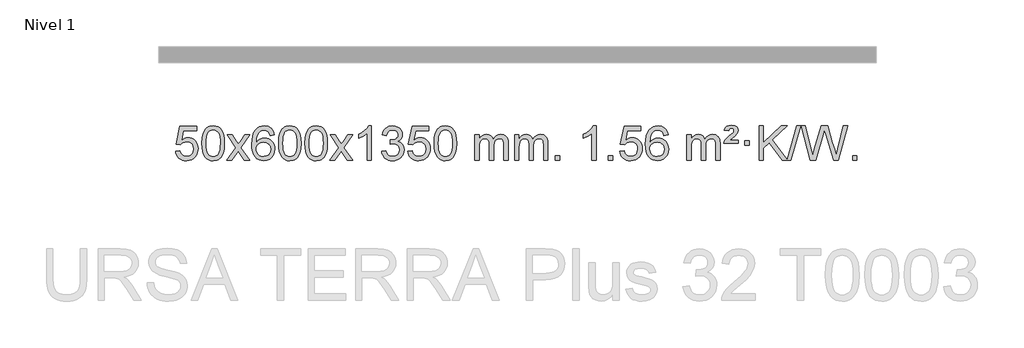
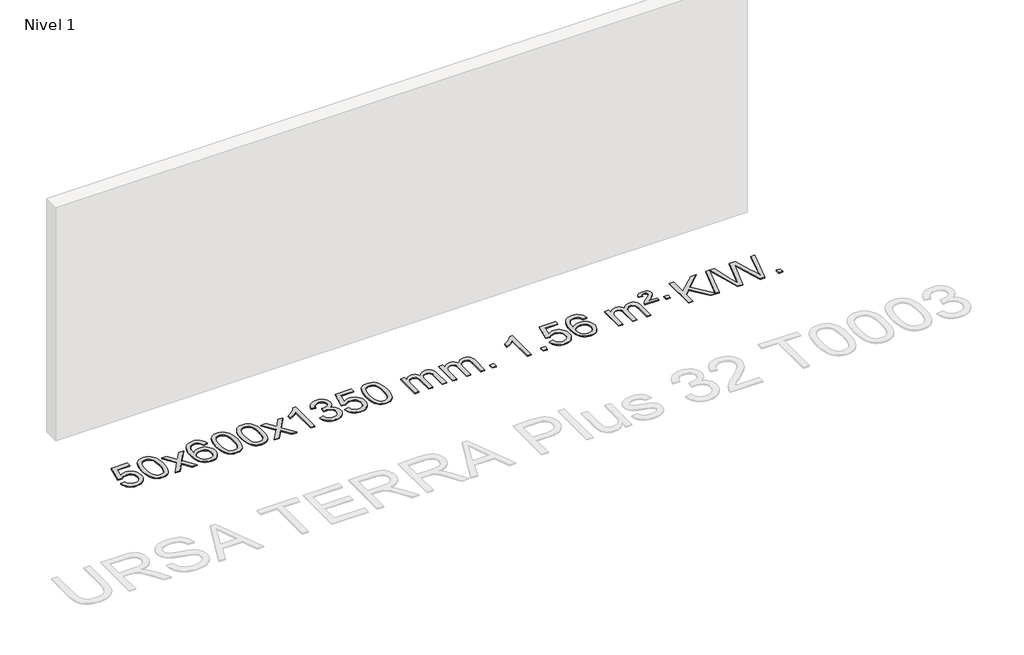
# One storey, part 3 of 7: 1 proxy.
"""IFC4 building model written with IfcOpenShell, lengths in millimetres."""

from ifc_helpers import new_model, si_unit, origin, origin_with_axes, place, context, project, spatial, polyline, outline, extrude, element, save

model = new_model("IFC4")

# Units and contexts
model_context = context("Model", 3, world=origin())
ifc_project = project(units=[si_unit("LENGTHUNIT", "METRE", prefix="MILLI")], contexts=[model_context])

# Site, building, storey
site = spatial("IfcSite", under=ifc_project)
building = spatial("IfcBuilding", under=site)
storey = spatial("IfcBuildingStorey", under=building, Name="Nivel 1", Elevation=0.0)

# Proxy
placement = place(None, origin())
element("IfcBuildingElementProxy", 1, Name="Texto de modelo 1", ObjectType="Texto de modelo 1", at=placement, inside=storey, context=model_context, shape_type="SweptSolid", body=[
    extrude(outline(polyline([(-25979.9741058, -12677.8820273), (-25929.7459508, -12671.603508), (-25920.5243754, -12701.7575688), (-25904.4356695, -12723.3522419), (-25881.5534094, -12736.3384764), (-25851.9511715, -12740.6672212), (-25832.8213078, -12739.1619707), (-25815.9477869, -12734.6462192), (-25801.330609, -12727.1199667), (-25788.969774, -12716.5832132), (-25779.1411933, -12703.5571249), (-25772.1207786, -12688.5628679), (-25766.5044468, -12652.6698479), (-25771.7651593, -12618.8737553), (-25778.34105, -12604.9555532), (-25787.5472969, -12593.0239138), (-25799.4145569, -12583.4528505), (-25813.9734869, -12576.6163768), (-25851.1663566, -12571.1471978), (-25875.5324074, -12573.3299643), (-25895.2631451, -12579.8782638), (-25911.0207572, -12589.9091796), (-25923.4674314, -12602.5397947), (-25973.6955865, -12596.2612753), (-25929.7459508, -12389.0701357), (-25735.1118499, -12389.0701357), (-25735.1118499, -12439.2982907), (-25889.1317785, -12439.2982907), (-25910.616087, -12549.9571949), (-25892.8903062, -12537.2530033), (-25874.7353298, -12528.1785808), (-25856.1511576, -12522.7339272), (-25837.1377899, -12520.9190427), (-25812.6767029, -12523.1692543), (-25790.20831, -12529.9198889), (-25769.7326113, -12541.1709466), (-25751.2496067, -12556.9224273), (-25735.9487814, -12576.2117066), (-25725.0196205, -12598.0761598), (-25718.4621239, -12622.5157871), (-25716.2762917, -12649.5305882), (-25718.2444604, -12675.552108), (-25724.1489664, -12699.7587433), (-25733.9898098, -12722.1504941), (-25747.7669905, -12742.7273604), (-25768.6381624, -12763.8008673), (-25792.9919504, -12778.8533723), (-25820.8283547, -12787.8848753), (-25852.1473753, -12790.8953763), (-25878.0677275, -12788.9609301), (-25901.4803508, -12783.1575916), (-25922.3852452, -12773.4853608), (-25940.7824106, -12759.9442377), (-25956.0893673, -12743.2086726), (-25967.7236354, -12723.9531159), (-25975.6852149, -12702.1775674), (-25979.9741058, -12677.8820273)])), origin_with_axes(), (0.0, 0.0, 1.0), 10.0),
    extrude(outline(polyline([(-25672.326656, -12586.9415981), (-25668.6355733, -12522.6235626), (-25657.5623253, -12471.3285498), (-25639.2172764, -12432.2717446), (-25627.3592135, -12417.0383643), (-25613.7107915, -12404.6683323), (-25598.2260251, -12395.097269), (-25580.8589293, -12388.2607953), (-25540.4777489, -12382.7916163), (-25509.5266104, -12386.0289778), (-25481.8128334, -12395.7410625), (-25458.6362678, -12411.5477256), (-25441.296763, -12433.0688223), (-25428.200164, -12460.1204117), (-25417.7523154, -12492.5185527), (-25410.9097102, -12533.6600225), (-25408.6288419, -12586.9415981), (-25412.2831364, -12650.8917516), (-25423.2460198, -12702.0641372), (-25441.480704, -12741.1577305), (-25453.3111759, -12756.437096), (-25466.9504008, -12768.8715075), (-25482.4535613, -12778.5069501), (-25499.8758394, -12785.3894091), (-25540.4777489, -12790.8953763), (-25568.142475, -12788.5041433), (-25592.6679413, -12781.3304444), (-25614.054148, -12769.3742795), (-25632.3010949, -12752.6356488), (-25649.8122779, -12722.3773547), (-25662.3202657, -12684.6755815), (-25669.8250584, -12639.5303293), (-25672.326656, -12586.9415981)]), holes=[polyline([(-25622.0985009, -12586.8434963), (-25620.626973, -12630.5080234), (-25616.212389, -12665.8522861), (-25608.8547491, -12692.8762843), (-25598.5540532, -12711.5800181), (-25586.0951163, -12724.3056694), (-25572.2627533, -12733.3954204), (-25557.0569642, -12738.849271), (-25540.4777489, -12740.6672212), (-25523.8985337, -12738.8431396), (-25508.6927446, -12733.3708949), (-25494.8603815, -12724.2504871), (-25482.4014446, -12711.4819162), (-25472.1007488, -12692.7475256), (-25464.7431089, -12665.7296588), (-25460.3285249, -12630.4283156), (-25458.8569969, -12586.8434963), (-25460.279474, -12544.3347317), (-25464.5469051, -12509.6128027), (-25471.6592904, -12482.6777093), (-25481.6166297, -12463.5294515), (-25493.8671002, -12450.1814664), (-25507.8588787, -12440.6471914), (-25523.5919654, -12434.9266264), (-25541.0663601, -12433.0197713), (-25557.5597363, -12434.6997658), (-25572.508008, -12439.7397491), (-25585.9111753, -12448.1397213), (-25597.7692383, -12459.8996825), (-25608.4132907, -12480.7463289), (-25616.0161853, -12508.8525133), (-25620.577922, -12544.2182358), (-25622.0985009, -12586.8434963)])]), origin_with_axes(), (0.0, 0.0, 1.0), 10.0),
    extrude(outline(polyline([(-25383.5147643, -12784.6168569), (-25276.1913236, -12636.2868364), (-25377.236245, -12489.5264458), (-25316.8054959, -12489.5264458), (-25268.0488688, -12560.1597889), (-25245.289236, -12593.5144231), (-25225.5707611, -12566.2421045), (-25170.0451053, -12489.5264458), (-25109.6143562, -12489.5264458), (-25215.7605745, -12636.2868364), (-25113.5384308, -12784.6168569), (-25173.9691799, -12784.6168569), (-25235.4790495, -12695.4422612), (-25246.760764, -12679.1573516), (-25323.0840153, -12784.6168569), (-25383.5147643, -12784.6168569)])), origin_with_axes(), (0.0, 0.0, 1.0), 10.0),
    extrude(outline(polyline([(-24824.7265391, -12489.5264458), (-24874.9546942, -12495.8049652), (-24883.0480981, -12470.9116168), (-24893.9864561, -12453.9154687), (-24916.7706143, -12438.2436957), (-24944.312713, -12433.0197713), (-24967.660957, -12436.0609292), (-24989.6357748, -12445.1844027), (-25008.5081212, -12464.4001055), (-25023.9223768, -12490.850821), (-25034.3334372, -12528.2644199), (-25038.1961982, -12580.3687731), (-25018.0485276, -12556.8611137), (-24993.903206, -12540.2941611), (-24967.109134, -12530.4717119), (-24939.0152123, -12527.1975621), (-24914.8821534, -12529.4355109), (-24892.61303, -12536.1493573), (-24872.207842, -12547.3391013), (-24853.6665894, -12563.004743), (-24838.2584652, -12582.2143145), (-24827.2526622, -12604.0358482), (-24820.6491803, -12628.469344), (-24818.4480197, -12655.514802), (-24822.5928236, -12691.4813984), (-24835.027235, -12724.8237699), (-24854.7211845, -12753.1016326), (-24880.6446024, -12773.8747026), (-24911.6202664, -12786.6402078), (-24946.4709541, -12790.8953763), (-24976.4134828, -12788.0749476), (-25003.4558751, -12779.6136617), (-25027.5981311, -12765.5115186), (-25048.8402506, -12745.7685182), (-25066.1582955, -12719.5507947), (-25078.5283276, -12686.0244822), (-25085.9503469, -12645.1895807), (-25088.4243533, -12597.0460903), (-25085.677501, -12543.0716702), (-25077.4369443, -12497.006713), (-25063.7026832, -12458.8512188), (-25044.4747176, -12428.6051874), (-25023.6342026, -12408.56175), (-24999.4704868, -12394.2450091), (-24971.9835704, -12385.6549645), (-24941.1734533, -12382.7916163), (-24918.0398072, -12384.5635812), (-24897.1011903, -12389.879476), (-24878.3576027, -12398.7393008), (-24861.8090442, -12411.1430554), (-24847.9031048, -12426.6738069), (-24837.0873742, -12444.9146225), (-24829.3618523, -12465.8655021), (-24824.7265391, -12489.5264458)]), holes=[polyline([(-25038.1961982, -12654.7299871), (-25035.2899304, -12676.9868478), (-25026.5711271, -12698.2381644), (-25013.0330697, -12716.5096368), (-24995.6690396, -12729.8269651), (-24974.7120286, -12737.9571571), (-24950.3950287, -12740.6672212), (-24917.2488609, -12735.0508894), (-24903.3337244, -12728.0304746), (-24891.1905529, -12718.201894), (-24881.3405125, -12705.9636863), (-24874.3047693, -12691.7143904), (-24868.6761748, -12657.1825337), (-24874.2311929, -12624.036366), (-24881.1749656, -12610.4155351), (-24890.8962473, -12598.7628729), (-24903.0762071, -12589.4278673), (-24917.3960137, -12582.7600061), (-24952.4551679, -12577.4257172), (-24985.5522847, -12582.7600061), (-25013.2292735, -12598.7628729), (-25024.152303, -12610.2622509), (-25031.954467, -12623.4232293), (-25036.6357654, -12638.245808), (-25038.1961982, -12654.7299871)])]), origin_with_axes(), (0.0, 0.0, 1.0), 10.0),
    extrude(outline(polyline([(-24774.4983841, -12586.9415981), (-24770.8073014, -12522.6235626), (-24759.7340533, -12471.3285498), (-24741.3890045, -12432.2717446), (-24729.5309415, -12417.0383643), (-24715.8825195, -12404.6683323), (-24700.3977532, -12395.097269), (-24683.0306573, -12388.2607953), (-24642.649477, -12382.7916163), (-24611.6983385, -12386.0289778), (-24583.9845615, -12395.7410625), (-24560.8079958, -12411.5477256), (-24543.4684911, -12433.0688223), (-24530.3718921, -12460.1204117), (-24519.9240434, -12492.5185527), (-24513.0814383, -12533.6600225), (-24510.8005699, -12586.9415981), (-24514.4548644, -12650.8917516), (-24525.4177479, -12702.0641372), (-24543.6524321, -12741.1577305), (-24555.4829039, -12756.437096), (-24569.1221289, -12768.8715075), (-24584.6252893, -12778.5069501), (-24602.0475674, -12785.3894091), (-24642.649477, -12790.8953763), (-24670.314203, -12788.5041433), (-24694.8396694, -12781.3304444), (-24716.225876, -12769.3742795), (-24734.472823, -12752.6356488), (-24751.9840059, -12722.3773547), (-24764.4919938, -12684.6755815), (-24771.9967865, -12639.5303293), (-24774.4983841, -12586.9415981)]), holes=[polyline([(-24724.270229, -12586.8434963), (-24722.798701, -12630.5080234), (-24718.3841171, -12665.8522861), (-24711.0264772, -12692.8762843), (-24700.7257813, -12711.5800181), (-24688.2668444, -12724.3056694), (-24674.4344814, -12733.3954204), (-24659.2286922, -12738.849271), (-24642.649477, -12740.6672212), (-24626.0702617, -12738.8431396), (-24610.8644726, -12733.3708949), (-24597.0321096, -12724.2504871), (-24584.5731727, -12711.4819162), (-24574.2724768, -12692.7475256), (-24566.9148369, -12665.7296588), (-24562.500253, -12630.4283156), (-24561.028725, -12586.8434963), (-24562.451202, -12544.3347317), (-24566.7186332, -12509.6128027), (-24573.8310184, -12482.6777093), (-24583.7883578, -12463.5294515), (-24596.0388282, -12450.1814664), (-24610.0306067, -12440.6471914), (-24625.7636934, -12434.9266264), (-24643.2380882, -12433.0197713), (-24659.7314643, -12434.6997658), (-24674.679736, -12439.7397491), (-24688.0829034, -12448.1397213), (-24699.9409664, -12459.8996825), (-24710.5850188, -12480.7463289), (-24718.1879133, -12508.8525133), (-24722.7496501, -12544.2182358), (-24724.270229, -12586.8434963)])]), origin_with_axes(), (0.0, 0.0, 1.0), 10.0),
    extrude(outline(polyline([(-24466.8509342, -12586.9415981), (-24463.1598515, -12522.6235626), (-24452.0866035, -12471.3285498), (-24433.7415547, -12432.2717446), (-24421.8834917, -12417.0383643), (-24408.2350697, -12404.6683323), (-24392.7503033, -12395.097269), (-24375.3832075, -12388.2607953), (-24335.0020271, -12382.7916163), (-24304.0508886, -12386.0289778), (-24276.3371117, -12395.7410625), (-24253.160546, -12411.5477256), (-24235.8210412, -12433.0688223), (-24222.7244422, -12460.1204117), (-24212.2765936, -12492.5185527), (-24205.4339884, -12533.6600225), (-24203.1531201, -12586.9415981), (-24206.8074146, -12650.8917516), (-24217.770298, -12702.0641372), (-24236.0049822, -12741.1577305), (-24247.8354541, -12756.437096), (-24261.474679, -12768.8715075), (-24276.9778395, -12778.5069501), (-24294.4001176, -12785.3894091), (-24335.0020271, -12790.8953763), (-24362.6667532, -12788.5041433), (-24387.1922195, -12781.3304444), (-24408.5784262, -12769.3742795), (-24426.8253731, -12752.6356488), (-24444.3365561, -12722.3773547), (-24456.844544, -12684.6755815), (-24464.3493367, -12639.5303293), (-24466.8509342, -12586.9415981)]), holes=[polyline([(-24416.6227791, -12586.8434963), (-24415.1512512, -12630.5080234), (-24410.7366672, -12665.8522861), (-24403.3790273, -12692.8762843), (-24393.0783315, -12711.5800181), (-24380.6193946, -12724.3056694), (-24366.7870315, -12733.3954204), (-24351.5812424, -12738.849271), (-24335.0020271, -12740.6672212), (-24318.4228119, -12738.8431396), (-24303.2170228, -12733.3708949), (-24289.3846597, -12724.2504871), (-24276.9257228, -12711.4819162), (-24266.625027, -12692.7475256), (-24259.2673871, -12665.7296588), (-24254.8528031, -12630.4283156), (-24253.3812752, -12586.8434963), (-24254.8037522, -12544.3347317), (-24259.0711833, -12509.6128027), (-24266.1835686, -12482.6777093), (-24276.1409079, -12463.5294515), (-24288.3913784, -12450.1814664), (-24302.3831569, -12440.6471914), (-24318.1162436, -12434.9266264), (-24335.5906383, -12433.0197713), (-24352.0840145, -12434.6997658), (-24367.0322862, -12439.7397491), (-24380.4354536, -12448.1397213), (-24392.2935165, -12459.8996825), (-24402.9375689, -12480.7463289), (-24410.5404635, -12508.8525133), (-24415.1022002, -12544.2182358), (-24416.6227791, -12586.8434963)])]), origin_with_axes(), (0.0, 0.0, 1.0), 10.0),
    extrude(outline(polyline([(-24178.0390425, -12784.6168569), (-24070.7156018, -12636.2868364), (-24171.7605232, -12489.5264458), (-24111.3297741, -12489.5264458), (-24062.573147, -12560.1597889), (-24039.8135142, -12593.5144231), (-24020.0950393, -12566.2421045), (-23964.5693835, -12489.5264458), (-23904.1386344, -12489.5264458), (-24010.2848527, -12636.2868364), (-23908.062709, -12784.6168569), (-23968.4934581, -12784.6168569), (-24030.0033277, -12695.4422612), (-24041.2850422, -12679.1573516), (-24117.6082935, -12784.6168569), (-24178.0390425, -12784.6168569)])), origin_with_axes(), (0.0, 0.0, 1.0), 10.0),
    extrude(outline(polyline([(-23688.3145306, -12784.6168569), (-23738.5426856, -12784.6168569), (-23738.5426856, -12471.4757026), (-23759.5119594, -12488.4350626), (-23786.1220903, -12505.3698971), (-23838.9989958, -12530.7292293), (-23838.9989958, -12483.2479264), (-23799.5497832, -12461.7881434), (-23765.3735458, -12436.2571329), (-23738.432321, -12409.1074417), (-23720.6881461, -12382.7916163), (-23688.3145306, -12382.7916163), (-23688.3145306, -12784.6168569)])), origin_with_axes(), (0.0, 0.0, 1.0), 10.0),
    extrude(outline(polyline([(-23569.0226623, -12677.8820273), (-23518.7945072, -12671.603508), (-23507.5495809, -12703.1677831), (-23491.0807302, -12724.4804134), (-23468.5786148, -12736.6205192), (-23439.2338944, -12740.6672212), (-23404.8001396, -12735.0999403), (-23390.5263182, -12728.1408392), (-23378.2145341, -12718.3980977), (-23361.2183859, -12693.4802239), (-23355.5530032, -12663.2648494), (-23361.169335, -12634.5823165), (-23378.0183304, -12611.3199117), (-23403.5248154, -12595.9056561), (-23435.113616, -12590.7675709), (-23470.3321857, -12596.2612753), (-23464.7403794, -12546.0331203), (-23456.6960264, -12546.6217315), (-23426.6032792, -12543.0164879), (-23399.6988426, -12532.2007572), (-23388.6255946, -12524.0215142), (-23380.7161317, -12513.9047594), (-23375.9704539, -12501.8504926), (-23374.3885613, -12487.8587141), (-23378.9748235, -12466.1659391), (-23392.7336102, -12448.568917), (-23413.7274094, -12436.9070578), (-23440.0187093, -12433.0197713), (-23466.3590601, -12436.943846), (-23487.8924196, -12448.7160698), (-23503.6132435, -12468.3364429), (-23512.5159878, -12495.8049652), (-23562.7441429, -12489.5264458), (-23556.7905859, -12465.5466711), (-23547.9552867, -12444.4241132), (-23536.2382451, -12426.1587721), (-23521.6394613, -12410.7506479), (-23504.6187876, -12398.5185716), (-23485.6360767, -12389.7813742), (-23464.6913284, -12384.5390557), (-23441.7845429, -12382.7916163), (-23410.2080049, -12386.2374443), (-23381.206641, -12396.5749284), (-23356.754751, -12412.8843635), (-23338.8266351, -12434.2460447), (-23327.8269635, -12458.8573501), (-23324.1604063, -12484.9156581), (-23327.6430225, -12509.1958698), (-23338.0908712, -12531.2197386), (-23355.3567995, -12549.9817203), (-23379.2936546, -12564.476271), (-23347.8520068, -12577.1804625), (-23324.5528137, -12598.8119238), (-23310.1318395, -12628.1934325), (-23305.3248481, -12664.1477662), (-23307.7283438, -12689.6297257), (-23314.9388309, -12713.100597), (-23326.9563094, -12734.5603801), (-23343.7807793, -12754.0090749), (-23364.2779378, -12770.1468317), (-23387.3134821, -12781.6738009), (-23412.8874121, -12788.5899824), (-23440.9997279, -12790.8953763), (-23466.4081111, -12788.9272076), (-23489.5601513, -12783.0227016), (-23510.4558486, -12773.1818582), (-23529.095203, -12759.4046775), (-23544.7240565, -12742.5004998), (-23556.5882508, -12723.2786655), (-23564.6877861, -12701.7391747), (-23569.0226623, -12677.8820273)])), origin_with_axes(), (0.0, 0.0, 1.0), 10.0),
    extrude(outline(polyline([(-23261.3752124, -12677.8820273), (-23211.1470573, -12671.603508), (-23201.925482, -12701.7575688), (-23185.8367761, -12723.3522419), (-23162.954516, -12736.3384764), (-23133.3522781, -12740.6672212), (-23114.2224144, -12739.1619707), (-23097.3488935, -12734.6462192), (-23082.7317156, -12727.1199667), (-23070.3708805, -12716.5832132), (-23060.5422999, -12703.5571249), (-23053.5218851, -12688.5628679), (-23047.9055534, -12652.6698479), (-23053.1662659, -12618.8737553), (-23059.7421566, -12604.9555532), (-23068.9484035, -12593.0239138), (-23080.8156635, -12583.4528505), (-23095.3745935, -12576.6163768), (-23132.5674632, -12571.1471978), (-23156.933514, -12573.3299643), (-23176.6642517, -12579.8782638), (-23192.4218638, -12589.9091796), (-23204.868538, -12602.5397947), (-23255.096693, -12596.2612753), (-23211.1470573, -12389.0701357), (-23016.5129564, -12389.0701357), (-23016.5129564, -12439.2982907), (-23170.5328851, -12439.2982907), (-23192.0171936, -12549.9571949), (-23174.2914128, -12537.2530033), (-23156.1364363, -12528.1785808), (-23137.5522642, -12522.7339272), (-23118.5388964, -12520.9190427), (-23094.0778094, -12523.1692543), (-23071.6094166, -12529.9198889), (-23051.1337179, -12541.1709466), (-23032.6507133, -12556.9224273), (-23017.349888, -12576.2117066), (-23006.420727, -12598.0761598), (-22999.8632305, -12622.5157871), (-22997.6773983, -12649.5305882), (-22999.645567, -12675.552108), (-23005.550073, -12699.7587433), (-23015.3909163, -12722.1504941), (-23029.1680971, -12742.7273604), (-23050.0392689, -12763.8008673), (-23074.393057, -12778.8533723), (-23102.2294613, -12787.8848753), (-23133.5484818, -12790.8953763), (-23159.4688341, -12788.9609301), (-23182.8814574, -12783.1575916), (-23203.7863518, -12773.4853608), (-23222.1835172, -12759.9442377), (-23237.4904739, -12743.2086726), (-23249.124742, -12723.9531159), (-23257.0863215, -12702.1775674), (-23261.3752124, -12677.8820273)])), origin_with_axes(), (0.0, 0.0, 1.0), 10.0),
    extrude(outline(polyline([(-22953.7277626, -12586.9415981), (-22950.0366799, -12522.6235626), (-22938.9634319, -12471.3285498), (-22920.618383, -12432.2717446), (-22908.76032, -12417.0383643), (-22895.111898, -12404.6683323), (-22879.6271317, -12395.097269), (-22862.2600359, -12388.2607953), (-22821.8788555, -12382.7916163), (-22790.927717, -12386.0289778), (-22763.21394, -12395.7410625), (-22740.0373743, -12411.5477256), (-22722.6978696, -12433.0688223), (-22709.6012706, -12460.1204117), (-22699.1534219, -12492.5185527), (-22692.3108168, -12533.6600225), (-22690.0299484, -12586.9415981), (-22693.6842429, -12650.8917516), (-22704.6471264, -12702.0641372), (-22722.8818106, -12741.1577305), (-22734.7122824, -12756.437096), (-22748.3515074, -12768.8715075), (-22763.8546678, -12778.5069501), (-22781.276946, -12785.3894091), (-22821.8788555, -12790.8953763), (-22849.5435816, -12788.5041433), (-22874.0690479, -12781.3304444), (-22895.4552546, -12769.3742795), (-22913.7022015, -12752.6356488), (-22931.2133845, -12722.3773547), (-22943.7213723, -12684.6755815), (-22951.226165, -12639.5303293), (-22953.7277626, -12586.9415981)]), holes=[polyline([(-22903.4996075, -12586.8434963), (-22902.0280795, -12630.5080234), (-22897.6134956, -12665.8522861), (-22890.2558557, -12692.8762843), (-22879.9551598, -12711.5800181), (-22867.4962229, -12724.3056694), (-22853.6638599, -12733.3954204), (-22838.4580708, -12738.849271), (-22821.8788555, -12740.6672212), (-22805.2996403, -12738.8431396), (-22790.0938511, -12733.3708949), (-22776.2614881, -12724.2504871), (-22763.8025512, -12711.4819162), (-22753.5018553, -12692.7475256), (-22746.1442154, -12665.7296588), (-22741.7296315, -12630.4283156), (-22740.2581035, -12586.8434963), (-22741.6805806, -12544.3347317), (-22745.9480117, -12509.6128027), (-22753.060397, -12482.6777093), (-22763.0177363, -12463.5294515), (-22775.2682067, -12450.1814664), (-22789.2599853, -12440.6471914), (-22804.9930719, -12434.9266264), (-22822.4674667, -12433.0197713), (-22838.9608428, -12434.6997658), (-22853.9091146, -12439.7397491), (-22867.3122819, -12448.1397213), (-22879.1703449, -12459.8996825), (-22889.8143973, -12480.7463289), (-22897.4172919, -12508.8525133), (-22901.9790286, -12544.2182358), (-22903.4996075, -12586.8434963)])]), origin_with_axes(), (0.0, 0.0, 1.0), 10.0),
    extrude(outline(polyline([(-22476.5602894, -12784.6168569), (-22476.5602894, -12489.5264458), (-22426.3321343, -12489.5264458), (-22426.3321343, -12538.0868692), (-22411.224447, -12515.7809575), (-22391.8002777, -12498.3065628), (-22368.7218139, -12487.0125855), (-22342.6512431, -12483.2479264), (-22314.716737, -12487.0861619), (-22292.3249862, -12498.6008684), (-22275.5986181, -12517.0317563), (-22264.6602602, -12541.6185363), (-22246.3519995, -12516.0813945), (-22225.4685649, -12497.8405789), (-22202.0099564, -12486.8960895), (-22175.9761739, -12483.2479264), (-22155.8683571, -12484.7654397), (-22138.2192184, -12489.3179793), (-22123.0287577, -12496.9055455), (-22110.296975, -12507.5281381), (-22100.2323367, -12521.3083845), (-22093.0433094, -12538.368912), (-22088.729893, -12558.7097207), (-22087.2920876, -12582.3308105), (-22087.2920876, -12784.6168569), (-22137.5202426, -12784.6168569), (-22137.5202426, -12603.9132208), (-22138.6852023, -12578.860457), (-22142.1800812, -12561.9746734), (-22148.7283807, -12550.410916), (-22159.0536021, -12541.3242307), (-22172.3341421, -12535.4381188), (-22187.7483977, -12533.4760815), (-22214.9594026, -12538.5038021), (-22237.1426869, -12553.5869639), (-22245.7480599, -12565.1568526), (-22251.8947549, -12579.7556365), (-22256.8121109, -12618.0398895), (-22256.8121109, -12784.6168569), (-22307.040266, -12784.6168569), (-22307.040266, -12598.3214145), (-22309.9465338, -12569.9209245), (-22318.6653371, -12549.6628893), (-22334.0060162, -12537.5227834), (-22356.7779118, -12533.4760815), (-22376.1285047, -12536.1738828), (-22393.9585187, -12544.2672867), (-22408.6737985, -12557.5600894), (-22418.6801888, -12575.8560873), (-22424.4191479, -12601.239945), (-22426.3321343, -12635.7963271), (-22426.3321343, -12784.6168569), (-22476.5602894, -12784.6168569)])), origin_with_axes(), (0.0, 0.0, 1.0), 10.0),
    extrude(outline(polyline([(-22011.9498549, -12784.6168569), (-22011.9498549, -12489.5264458), (-21961.7216999, -12489.5264458), (-21961.7216999, -12538.0868692), (-21946.6140126, -12515.7809575), (-21927.1898433, -12498.3065628), (-21904.1113794, -12487.0125855), (-21878.0408087, -12483.2479264), (-21850.1063025, -12487.0861619), (-21827.7145518, -12498.6008684), (-21810.9881837, -12517.0317563), (-21800.0498257, -12541.6185363), (-21781.7415651, -12516.0813945), (-21760.8581305, -12497.8405789), (-21737.3995219, -12486.8960895), (-21711.3657394, -12483.2479264), (-21691.2579227, -12484.7654397), (-21673.608784, -12489.3179793), (-21658.4183233, -12496.9055455), (-21645.6865405, -12507.5281381), (-21635.6219023, -12521.3083845), (-21628.432875, -12538.368912), (-21624.1194586, -12558.7097207), (-21622.6816531, -12582.3308105), (-21622.6816531, -12784.6168569), (-21672.9098082, -12784.6168569), (-21672.9098082, -12603.9132208), (-21674.0747678, -12578.860457), (-21677.5696468, -12561.9746734), (-21684.1179463, -12550.410916), (-21694.4431676, -12541.3242307), (-21707.7237077, -12535.4381188), (-21723.1379633, -12533.4760815), (-21750.3489682, -12538.5038021), (-21772.5322525, -12553.5869639), (-21781.1376255, -12565.1568526), (-21787.2843205, -12579.7556365), (-21792.2016765, -12618.0398895), (-21792.2016765, -12784.6168569), (-21842.4298316, -12784.6168569), (-21842.4298316, -12598.3214145), (-21845.3360993, -12569.9209245), (-21854.0549026, -12549.6628893), (-21869.3955818, -12537.5227834), (-21892.1674773, -12533.4760815), (-21911.5180703, -12536.1738828), (-21929.3480843, -12544.2672867), (-21944.0633641, -12557.5600894), (-21954.0697544, -12575.8560873), (-21959.8087135, -12601.239945), (-21961.7216999, -12635.7963271), (-21961.7216999, -12784.6168569), (-22011.9498549, -12784.6168569)])), origin_with_axes(), (0.0, 0.0, 1.0), 10.0),
    extrude(outline(polyline([(-21534.7823817, -12784.6168569), (-21534.7823817, -12734.3887018), (-21484.5542267, -12734.3887018), (-21484.5542267, -12784.6168569), (-21534.7823817, -12784.6168569)])), origin_with_axes(), (0.0, 0.0, 1.0), 10.0),
    extrude(outline(polyline([(-21057.6149085, -12784.6168569), (-21107.8430636, -12784.6168569), (-21107.8430636, -12471.4757026), (-21128.8123373, -12488.4350626), (-21155.4224683, -12505.3698971), (-21208.2993737, -12530.7292293), (-21208.2993737, -12483.2479264), (-21168.8501611, -12461.7881434), (-21134.6739238, -12436.2571329), (-21107.732699, -12409.1074417), (-21089.9885241, -12382.7916163), (-21057.6149085, -12382.7916163), (-21057.6149085, -12784.6168569)])), origin_with_axes(), (0.0, 0.0, 1.0), 10.0),
    extrude(outline(polyline([(-20913.2089627, -12784.6168569), (-20913.2089627, -12734.3887018), (-20862.9808076, -12734.3887018), (-20862.9808076, -12784.6168569), (-20913.2089627, -12784.6168569)])), origin_with_axes(), (0.0, 0.0, 1.0), 10.0),
    extrude(outline(polyline([(-20781.3600556, -12677.8820273), (-20731.1319005, -12671.603508), (-20721.9103252, -12701.7575688), (-20705.8216193, -12723.3522419), (-20682.9393592, -12736.3384764), (-20653.3371213, -12740.6672212), (-20634.2072575, -12739.1619707), (-20617.3337367, -12734.6462192), (-20602.7165587, -12727.1199667), (-20590.3557237, -12716.5832132), (-20580.5271431, -12703.5571249), (-20573.5067283, -12688.5628679), (-20567.8903965, -12652.6698479), (-20573.1511091, -12618.8737553), (-20579.7269997, -12604.9555532), (-20588.9332467, -12593.0239138), (-20600.8005067, -12583.4528505), (-20615.3594366, -12576.6163768), (-20652.5523064, -12571.1471978), (-20676.9183572, -12573.3299643), (-20696.6490948, -12579.8782638), (-20712.406707, -12589.9091796), (-20724.8533811, -12602.5397947), (-20775.0815362, -12596.2612753), (-20731.1319005, -12389.0701357), (-20536.4977996, -12389.0701357), (-20536.4977996, -12439.2982907), (-20690.5177283, -12439.2982907), (-20712.0020368, -12549.9571949), (-20694.276256, -12537.2530033), (-20676.1212795, -12528.1785808), (-20657.5371074, -12522.7339272), (-20638.5237396, -12520.9190427), (-20614.0626526, -12523.1692543), (-20591.5942598, -12529.9198889), (-20571.118561, -12541.1709466), (-20552.6355565, -12556.9224273), (-20537.3347312, -12576.2117066), (-20526.4055702, -12598.0761598), (-20519.8480737, -12622.5157871), (-20517.6622415, -12649.5305882), (-20519.6304101, -12675.552108), (-20525.5349162, -12699.7587433), (-20535.3757595, -12722.1504941), (-20549.1529403, -12742.7273604), (-20570.0241121, -12763.8008673), (-20594.3779002, -12778.8533723), (-20622.2143045, -12787.8848753), (-20653.533325, -12790.8953763), (-20679.4536773, -12788.9609301), (-20702.8663006, -12783.1575916), (-20723.7711949, -12773.4853608), (-20742.1683604, -12759.9442377), (-20757.4753171, -12743.2086726), (-20769.1095852, -12723.9531159), (-20777.0711647, -12702.1775674), (-20781.3600556, -12677.8820273)])), origin_with_axes(), (0.0, 0.0, 1.0), 10.0),
    extrude(outline(polyline([(-20216.293311, -12489.5264458), (-20266.5214661, -12495.8049652), (-20274.61487, -12470.9116168), (-20285.553228, -12453.9154687), (-20308.3373862, -12438.2436957), (-20335.8794849, -12433.0197713), (-20359.2277289, -12436.0609292), (-20381.2025467, -12445.1844027), (-20400.0748931, -12464.4001055), (-20415.4891487, -12490.850821), (-20425.9002091, -12528.2644199), (-20429.7629701, -12580.3687731), (-20409.6152995, -12556.8611137), (-20385.4699779, -12540.2941611), (-20358.6759059, -12530.4717119), (-20330.5819842, -12527.1975621), (-20306.4489253, -12529.4355109), (-20284.1798019, -12536.1493573), (-20263.7746139, -12547.3391013), (-20245.2333613, -12563.004743), (-20229.8252371, -12582.2143145), (-20218.819434, -12604.0358482), (-20212.2159522, -12628.469344), (-20210.0147916, -12655.514802), (-20214.1595954, -12691.4813984), (-20226.5940069, -12724.8237699), (-20246.2879564, -12753.1016326), (-20272.2113743, -12773.8747026), (-20303.1870383, -12786.6402078), (-20338.037726, -12790.8953763), (-20367.9802547, -12788.0749476), (-20395.022647, -12779.6136617), (-20419.1649029, -12765.5115186), (-20440.4070225, -12745.7685182), (-20457.7250674, -12719.5507947), (-20470.0950995, -12686.0244822), (-20477.5171187, -12645.1895807), (-20479.9911252, -12597.0460903), (-20477.2442729, -12543.0716702), (-20469.0037162, -12497.006713), (-20455.2694551, -12458.8512188), (-20436.0414895, -12428.6051874), (-20415.2009744, -12408.56175), (-20391.0372587, -12394.2450091), (-20363.5503423, -12385.6549645), (-20332.7402252, -12382.7916163), (-20309.6065791, -12384.5635812), (-20288.6679622, -12389.879476), (-20269.9243745, -12398.7393008), (-20253.3758161, -12411.1430554), (-20239.4698767, -12426.6738069), (-20228.6541461, -12444.9146225), (-20220.9286242, -12465.8655021), (-20216.293311, -12489.5264458)]), holes=[polyline([(-20429.7629701, -12654.7299871), (-20426.8567023, -12676.9868478), (-20418.137899, -12698.2381644), (-20404.5998416, -12716.5096368), (-20387.2358114, -12729.8269651), (-20366.2788004, -12737.9571571), (-20341.9618006, -12740.6672212), (-20308.8156328, -12735.0508894), (-20294.9004963, -12728.0304746), (-20282.7573248, -12718.201894), (-20272.9072844, -12705.9636863), (-20265.8715412, -12691.7143904), (-20260.2429467, -12657.1825337), (-20265.7979648, -12624.036366), (-20272.7417375, -12610.4155351), (-20282.4630192, -12598.7628729), (-20294.6429789, -12589.4278673), (-20308.9627856, -12582.7600061), (-20344.0219397, -12577.4257172), (-20377.1190566, -12582.7600061), (-20404.7960453, -12598.7628729), (-20415.7190749, -12610.2622509), (-20423.5212389, -12623.4232293), (-20428.2025373, -12638.245808), (-20429.7629701, -12654.7299871)])]), origin_with_axes(), (0.0, 0.0, 1.0), 10.0),
    extrude(outline(polyline([(-19996.5451326, -12784.6168569), (-19996.5451326, -12489.5264458), (-19946.3169775, -12489.5264458), (-19946.3169775, -12538.0868692), (-19931.2092902, -12515.7809575), (-19911.7851209, -12498.3065628), (-19888.706657, -12487.0125855), (-19862.6360863, -12483.2479264), (-19834.7015802, -12487.0861619), (-19812.3098294, -12498.6008684), (-19795.5834613, -12517.0317563), (-19784.6451033, -12541.6185363), (-19766.3368427, -12516.0813945), (-19745.4534081, -12497.8405789), (-19721.9947996, -12486.8960895), (-19695.961017, -12483.2479264), (-19675.8532003, -12484.7654397), (-19658.2040616, -12489.3179793), (-19643.0136009, -12496.9055455), (-19630.2818182, -12507.5281381), (-19620.2171799, -12521.3083845), (-19613.0281526, -12538.368912), (-19608.7147362, -12558.7097207), (-19607.2769307, -12582.3308105), (-19607.2769307, -12784.6168569), (-19657.5050858, -12784.6168569), (-19657.5050858, -12603.9132208), (-19658.6700455, -12578.860457), (-19662.1649244, -12561.9746734), (-19668.7132239, -12550.410916), (-19679.0384453, -12541.3242307), (-19692.3189853, -12535.4381188), (-19707.7332409, -12533.4760815), (-19734.9442458, -12538.5038021), (-19757.1275301, -12553.5869639), (-19765.7329031, -12565.1568526), (-19771.8795981, -12579.7556365), (-19776.7969541, -12618.0398895), (-19776.7969541, -12784.6168569), (-19827.0251092, -12784.6168569), (-19827.0251092, -12598.3214145), (-19829.9313769, -12569.9209245), (-19838.6501802, -12549.6628893), (-19853.9908594, -12537.5227834), (-19876.7627549, -12533.4760815), (-19896.1133479, -12536.1738828), (-19913.9433619, -12544.2672867), (-19928.6586417, -12557.5600894), (-19938.665032, -12575.8560873), (-19944.4039911, -12601.239945), (-19946.3169775, -12635.7963271), (-19946.3169775, -12784.6168569), (-19996.5451326, -12784.6168569)])), origin_with_axes(), (0.0, 0.0, 1.0), 10.0),
    extrude(outline(polyline([(-19563.327295, -12583.7042366), (-19559.5013223, -12567.8853108), (-19551.1626637, -12552.0173341), (-19529.6538298, -12526.878731), (-19497.6971471, -12499.1404286), (-19453.5513077, -12461.7636179), (-19446.414397, -12450.2366487), (-19444.0354267, -12438.4153739), (-19445.9238876, -12426.324319), (-19451.5892704, -12416.538658), (-19460.9579985, -12410.0639348), (-19473.9564957, -12407.9056938), (-19486.3909071, -12409.5243746), (-19495.2446005, -12414.3804169), (-19501.6702727, -12423.8472469), (-19506.8206206, -12439.2982907), (-19557.0487757, -12433.0197713), (-19546.2085195, -12407.8075919), (-19529.5802534, -12390.247358), (-19505.8150765, -12379.9466622), (-19473.5640882, -12376.5130969), (-19437.7814328, -12380.645638), (-19413.0352373, -12393.0432612), (-19398.6142631, -12411.3760473), (-19393.8072717, -12433.3140769), (-19397.9030245, -12456.2208625), (-19410.1902832, -12477.8523238), (-19430.7180985, -12497.6689006), (-19467.187467, -12525.7260341), (-19492.7920538, -12552.3116396), (-19393.8072717, -12552.3116396), (-19393.8072717, -12583.7042366), (-19563.327295, -12583.7042366)])), origin_with_axes(), (0.0, 0.0, 1.0), 10.0),
    extrude(outline(polyline([(-19318.4650391, -12608.8183141), (-19318.4650391, -12558.590159), (-19268.236884, -12558.590159), (-19268.236884, -12608.8183141), (-19318.4650391, -12608.8183141)])), origin_with_axes(), (0.0, 0.0, 1.0), 10.0),
    extrude(outline(polyline([(-18877.595256, -12784.6168569), (-19031.0265735, -12581.938403), (-19098.7168606, -12646.4894304), (-19098.7168606, -12784.6168569), (-19148.9450157, -12784.6168569), (-19148.9450157, -12382.7916163), (-19098.7168606, -12382.7916163), (-19098.7168606, -12579.4858564), (-18892.7029433, -12382.7916163), (-18822.4620077, -12382.7916163), (-18995.4155964, -12547.9951576), (-18820.7619865, -12778.5723371), (-18709.4486588, -12382.7916163), (-18664.125597, -12382.7916163), (-18777.1389459, -12784.6168569), (-18816.1834883, -12784.6168569), (-18822.4620077, -12784.6168569), (-18877.595256, -12784.6168569)])), origin_with_axes(), (0.0, 0.0, 1.0), 10.0),
    extrude(outline(polyline([(-18549.6407201, -12784.6168569), (-18659.2205037, -12382.7916163), (-18607.4227188, -12382.7916163), (-18543.85271, -12646.8818379), (-18524.2323369, -12728.404488), (-18503.2385377, -12656.299617), (-18423.5798231, -12382.7916163), (-18348.9243035, -12382.7916163), (-18291.0442029, -12581.0554862), (-18266.2489564, -12654.6318852), (-18247.977484, -12728.404488), (-18228.9457221, -12649.2362826), (-18164.7871022, -12382.7916163), (-18112.9893173, -12382.7916163), (-18222.6672028, -12784.6168569), (-18276.3289231, -12784.6168569), (-18372.6649549, -12474.6149623), (-18386.1049105, -12431.3520396), (-18401.2125977, -12483.4441302), (-18489.0137673, -12784.6168569), (-18549.6407201, -12784.6168569)])), origin_with_axes(), (0.0, 0.0, 1.0), 10.0),
    extrude(outline(polyline([(-18056.4826428, -12784.6168569), (-18056.4826428, -12734.3887018), (-18006.2544877, -12734.3887018), (-18006.2544877, -12784.6168569), (-18056.4826428, -12784.6168569)])), origin_with_axes(), (0.0, 0.0, 1.0), 10.0),
])

save(model, "model.ifc")
